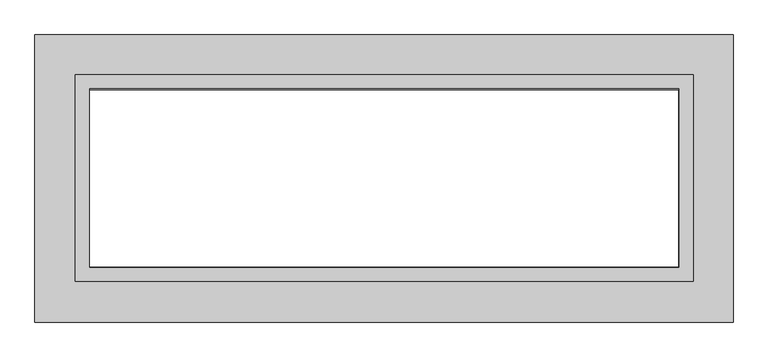
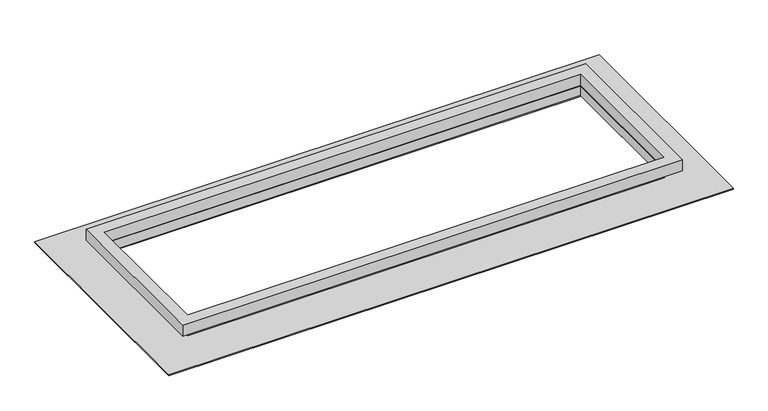
"""IFC4 building model written with IfcOpenShell, lengths in millimetres: proxy geometry."""

import ifcopenshell
import ifcopenshell.guid

model = None  # the IFC model being written
_history = None  # IfcOwnerHistory: only IFC2X3 demands one
_inside = {}  # id of a spatial element -> (the spatial element, [elements in it])
_under = {}  # id of a project, library or spatial element -> (it, [spatial elements below it])
_declared = {}  # id of a project -> (the project, [libraries it declares])
_typed = {}  # id of a type object -> (the type object, [elements of that type])
_made_of = {}  # id of a material, layer set ... -> (it, [elements and type objects made of it])


def new_model(schema):
    """Start an empty IFC model of exactly this schema.

    Asked for "IFC4X3", IfcOpenShell would pick the latest addendum, in which some entities
    have other attributes; the version numbers below select the first issue.
    IFC2X3 requires an IfcOwnerHistory on every rooted entity: one is made here for all.
    """
    global model, _history
    if schema == "IFC4X3":
        model = ifcopenshell.file(schema_version=(4, 3, 0, 0))
    else:
        model = ifcopenshell.file(schema=schema)
    _inside.clear()
    _under.clear()
    _declared.clear()
    _typed.clear()
    _made_of.clear()
    _history = None
    if model.schema == "IFC2X3":
        org = make("IfcOrganization", Name="unknown")
        user = make(
            "IfcPersonAndOrganization",
            ThePerson=make("IfcPerson", FamilyName="unknown"),
            TheOrganization=org,
        )
        app = make(
            "IfcApplication",
            ApplicationDeveloper=org,
            Version="unknown",
            ApplicationFullName="unknown",
            ApplicationIdentifier="unknown",
        )
        _history = make(
            "IfcOwnerHistory",
            OwningUser=user,
            OwningApplication=app,
            ChangeAction="ADDED",
            CreationDate=0,
        )
    return model


def make(cls, **values):
    """One entity of the class cls with the attributes given. An attribute that is None is left unset."""
    return model.create_entity(
        cls, **{name: value for name, value in values.items() if value is not None}
    )


def rooted(cls, **values):
    """An entity with a GlobalId (a new one), such as an element, a storey or a relation."""
    return make(cls, GlobalId=ifcopenshell.guid.new(), OwnerHistory=_history, **values)


def si_unit(unit_type, name, prefix=None):
    """IfcSIUnit, for example si_unit("LENGTHUNIT", "METRE", prefix="MILLI")."""
    return make("IfcSIUnit", UnitType=unit_type, Prefix=prefix, Name=name)


def assignment(units):
    """IfcUnitAssignment: the units of a project."""
    return None if units is None else make("IfcUnitAssignment", Units=units)


def point(xyz):
    """IfcCartesianPoint."""
    return None if xyz is None else make("IfcCartesianPoint", Coordinates=xyz)


def direction(xyz):
    """IfcDirection."""
    return None if xyz is None else make("IfcDirection", DirectionRatios=xyz)


def frame(location, z_axis=None, x_axis=None):
    """IfcAxis2Placement3D, a coordinate frame: its origin and axes. An axis left out is left unset."""
    return make(
        "IfcAxis2Placement3D",
        Location=point(location),
        Axis=direction(z_axis),
        RefDirection=direction(x_axis),
    )


def origin():
    """The frame at (0, 0, 0) with its axes left unset."""
    return frame((0.0, 0.0, 0.0))


def origin_with_axes():
    """The frame at (0, 0, 0) with the z axis (0, 0, 1) and the x axis (1, 0, 0) written out."""
    return frame((0.0, 0.0, 0.0), z_axis=(0.0, 0.0, 1.0), x_axis=(1.0, 0.0, 0.0))


def place(relative_to, where):
    """IfcLocalPlacement: puts the frame where relative to a parent placement (None: the world)."""
    return make(
        "IfcLocalPlacement", PlacementRelTo=relative_to, RelativePlacement=where
    )


def context(
    kind, dimensions, precision=None, world=None, true_north=None, identifier=None
):
    """IfcGeometricRepresentationContext, for example the 3D "Model" context."""
    return make(
        "IfcGeometricRepresentationContext",
        ContextIdentifier=identifier,
        ContextType=kind,
        CoordinateSpaceDimension=dimensions,
        Precision=precision,
        WorldCoordinateSystem=world,
        TrueNorth=true_north,
    )


def project(units=None, contexts=None):
    """IfcProject with its units and contexts."""
    return rooted(
        "IfcProject",
        Name="project",
        RepresentationContexts=contexts,
        UnitsInContext=assignment(units),
    )


def spatial(cls, under=None, at=None, **own):
    """A site, building, storey or space (cls), placed at a placement, below another one or the project."""
    s = rooted(cls, ObjectPlacement=at, **own)
    if under is not None:
        _under.setdefault(under.id(), (under, []))[1].append(s)
    return s


def polyline(points):
    """IfcPolyline through the points."""
    return make("IfcPolyline", Points=[point(p) for p in points])


def outline(outer, holes=None, kind="AREA"):
    """IfcArbitraryClosedProfileDef: a profile drawn as a closed curve; with holes, ...WithVoids."""
    if holes is None:
        return make("IfcArbitraryClosedProfileDef", ProfileType=kind, OuterCurve=outer)
    return make(
        "IfcArbitraryProfileDefWithVoids",
        ProfileType=kind,
        OuterCurve=outer,
        InnerCurves=holes,
    )


def extrude(swept, where, along, depth):
    """IfcExtrudedAreaSolid: the profile swept, set in the frame where, extruded along a direction by depth."""
    return make(
        "IfcExtrudedAreaSolid",
        SweptArea=swept,
        Position=where,
        ExtrudedDirection=direction(along),
        Depth=depth,
    )


def shape(context_of_items, identifier, shape_type, items):
    """IfcShapeRepresentation: the items that make up one representation, for example the "Body"."""
    return make(
        "IfcShapeRepresentation",
        ContextOfItems=context_of_items,
        RepresentationIdentifier=identifier,
        RepresentationType=shape_type,
        Items=items,
    )


def source(mapping_origin, context_of_items, identifier, shape_type, items):
    """IfcRepresentationMap: a shape defined once, which mapped items show again and again."""
    return make(
        "IfcRepresentationMap",
        MappingOrigin=mapping_origin,
        MappedRepresentation=shape(context_of_items, identifier, shape_type, items),
    )


def transform(
    local_origin,
    x_axis=None,
    y_axis=None,
    z_axis=None,
    scale=None,
    scale2=None,
    scale3=None,
    uniform=True,
):
    """IfcCartesianTransformationOperator3D, or its non-uniform kind. x_axis, y_axis, z_axis: its Axis1, 2, 3."""
    if uniform:
        return make(
            "IfcCartesianTransformationOperator3D",
            Axis1=direction(x_axis),
            Axis2=direction(y_axis),
            LocalOrigin=point(local_origin),
            Scale=scale,
            Axis3=direction(z_axis),
        )
    return make(
        "IfcCartesianTransformationOperator3DnonUniform",
        Axis1=direction(x_axis),
        Axis2=direction(y_axis),
        LocalOrigin=point(local_origin),
        Scale=scale,
        Axis3=direction(z_axis),
        Scale2=scale2,
        Scale3=scale3,
    )


def mapped(mapping_source, mapping_target):
    """IfcMappedItem: shows the shape of a source again, moved by a transform."""
    return make(
        "IfcMappedItem", MappingSource=mapping_source, MappingTarget=mapping_target
    )


def made_of(thing, what):
    """Note that an element or type object is made of a material, layer set ...; save() writes the relation."""
    if what is not None:
        _made_of.setdefault(what.id(), (what, []))[1].append(thing)
    return thing


def element(
    cls,
    number,
    at=None,
    inside=None,
    cuts=None,
    type_object=None,
    material=None,
    context=None,
    identifier="Body",
    shape_type=None,
    held_by="IfcProductDefinitionShape",
    body=None,
    shapes=None,
    **own,
):
    """One element of the class cls, such as IfcWall. Its Tag is "e" and its number.

    at: its placement. inside: the storey or other place that contains it. cuts: it is an
    opening in that element (IfcRelVoidsElement). A single representation is given by context,
    identifier, shape_type and body (its items); several are given by shapes. held_by: the class
    of the entity that holds the representations. save() writes the other relations.
    """
    e = rooted(cls, Tag="e%d" % number, ObjectPlacement=at, **own)
    if body is not None:
        shapes = [shape(context, identifier, shape_type, body)]
    if shapes is not None:
        e.Representation = make(held_by, Representations=shapes)
    if inside is not None:
        _inside.setdefault(inside.id(), (inside, []))[1].append(e)
    if cuts is not None:
        rooted(
            "IfcRelVoidsElement", RelatingBuildingElement=cuts, RelatedOpeningElement=e
        )
    if type_object is not None:
        _typed.setdefault(type_object.id(), (type_object, []))[1].append(e)
    return made_of(e, material)


def aggregate(whole, parts):
    """IfcRelAggregates: a whole, such as a stair, and the parts it consists of."""
    return rooted("IfcRelAggregates", RelatingObject=whole, RelatedObjects=parts)


def save(model, path):
    """Write the relations noted so far, then the file.

    IfcRelAggregates (storeys below a building ...), IfcRelContainedInSpatialStructure (elements
    in a storey), IfcRelDefinesByType, IfcRelAssociatesMaterial and IfcRelDeclares: one each for
    every whole, place, type object, material and project.
    """
    for whole, parts in _under.values():
        aggregate(whole, parts)
    for where, things in _inside.values():
        rooted(
            "IfcRelContainedInSpatialStructure",
            RelatedElements=things,
            RelatingStructure=where,
        )
    for kind, things in _typed.values():
        rooted("IfcRelDefinesByType", RelatedObjects=things, RelatingType=kind)
    for what, things in _made_of.values():
        rooted("IfcRelAssociatesMaterial", RelatedObjects=things, RelatingMaterial=what)
    for by, libraries in _declared.values():
        rooted("IfcRelDeclares", RelatingContext=by, RelatedDefinitions=libraries)
    model.write(path)


def generic_models_224f1198(model_context):
    return source(origin(), model_context, "Body", "SweptSolid", [
        extrude(outline(polyline([(824.7126, 276.8981), (824.7126, -274.5867), (-822.4012, -274.5867), (-822.4012, 276.8981), (824.7126, 276.8981)]), holes=[polyline([(-784.0726, 238.5695), (-784.0726, -236.2581), (785.749, -236.2581), (785.749, 238.5695), (-784.0726, 238.5695)])]), frame((0.0, 0.0, 35.56), z_axis=(0.0, 0.0, 1.0), x_axis=(1.0, 0.0, 0.0)), (0.0, 0.0, 1.0), 38.1),
        extrude(outline(polyline([(785.749, 240.8809), (785.749, -240.8809), (-785.749, -240.8809), (-785.749, 240.8809), (785.749, 240.8809)]), holes=[polyline([(-783.49475, 235.6866), (-783.49475, -235.6866), (783.49475, -235.6866), (783.49475, 235.6866), (-783.49475, 235.6866)])]), frame((0.0, 0.0, 3.81), z_axis=(0.0, 0.0, 1.0), x_axis=(1.0, 0.0, 0.0)), (0.0, 0.0, 1.0), 31.75),
        extrude(outline(polyline([(930.275, 382.524), (930.275, -382.524), (-930.275, -382.524), (-930.275, 382.524), (930.275, 382.524)]), holes=[polyline([(-786.5364, 235.6866), (-786.5364, -235.6866), (786.5364, -235.6866), (786.5364, 235.6866), (-786.5364, 235.6866)])]), origin_with_axes(), (0.0, 0.0, 1.0), 3.81),
    ])


if __name__ == "__main__":
    model = new_model("IFC4")
    model_context = context("Model", 3, world=origin())
    ifc_project = project(units=[si_unit("LENGTHUNIT", "METRE", prefix="MILLI")], contexts=[model_context])
    site = spatial("IfcSite", under=ifc_project)
    building = spatial("IfcBuilding", under=site)
    placement = place(None, origin())
    generic_models_shape = generic_models_224f1198(model_context)
    element("IfcBuildingElementProxy", 1, Name="Generic Models", at=placement, inside=building, context=model_context, shape_type="MappedRepresentation", body=[
        mapped(generic_models_shape, transform((0.0, 0.0, 0.0), x_axis=(1.0, 0.0, 0.0), y_axis=(0.0, 1.0, 0.0), z_axis=(0.0, 0.0, 1.0))),
    ])
    save(model, "model.ifc")
